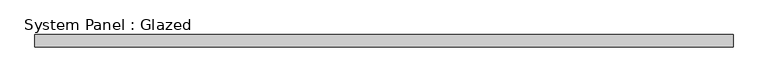
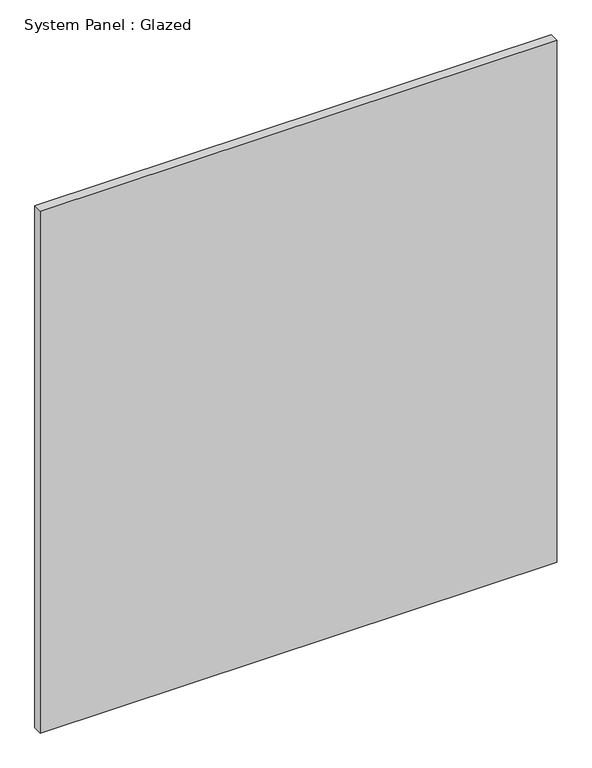
"""IFC4 building model written with IfcOpenShell, lengths in millimetres: plate geometry, System Panel : Glazed."""

from ifc_helpers import new_model, si_unit, origin, origin_with_axes, place, context, project, spatial, polyline, outline, extrude, source, transform, mapped, element, save


def system_panel_glazed_835022dc(model_context):
    return source(origin(), model_context, "Body", "SweptSolid", [
        extrude(outline(polyline([(713.6929397, 24.5), (-713.6929397, 24.5), (-713.6929397, 49.5), (713.6929397, 49.5), (713.6929397, 24.5)])), origin_with_axes(), (0.0, 0.0, 1.0), 1525.0),
    ])


if __name__ == "__main__":
    model = new_model("IFC4")
    model_context = context("Model", 3, world=origin())
    ifc_project = project(units=[si_unit("LENGTHUNIT", "METRE", prefix="MILLI")], contexts=[model_context])
    site = spatial("IfcSite", under=ifc_project)
    building = spatial("IfcBuilding", under=site)
    placement = place(None, origin())
    system_panel_glazed_shape = system_panel_glazed_835022dc(model_context)
    element("IfcPlate", 1, ObjectType="System Panel : Glazed", at=placement, inside=building, context=model_context, shape_type="MappedRepresentation", body=[
        mapped(system_panel_glazed_shape, transform((0.0, 0.0, 0.0), x_axis=(1.0, 0.0, 0.0), y_axis=(0.0, 1.0, 0.0), z_axis=(0.0, 0.0, 1.0))),
    ])
    save(model, "model.ifc")
